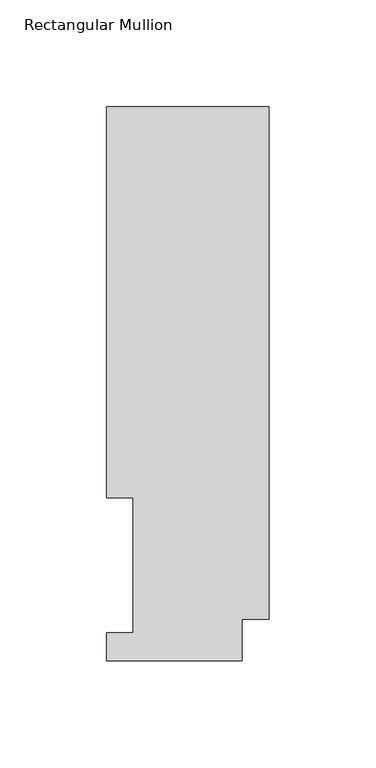
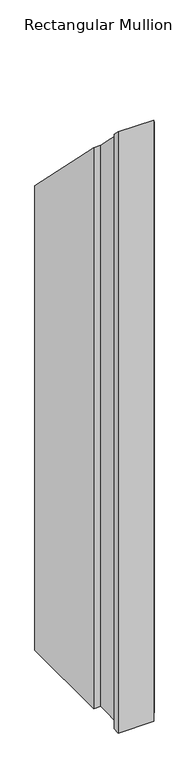
"""IFC4 building model written with IfcOpenShell, lengths in millimetres: member geometry, Rectangular Mullion."""

from ifc_helpers import new_model, si_unit, origin, place, context, project, spatial, faceted_brep, source, transform, mapped, element, save


def rectangular_mullion_385e6a11(model_context):
    return source(origin(), model_context, "Body", "Brep", [
        faceted_brep([(0.0, 19.5088257, -1142.5174), (-12.7, 19.5088257, -1142.5174), (-12.7, -0.0333811, -1142.5174), (-76.2, -0.0333811, -1142.5174), (-76.2, 13.1492189, -1142.5174), (-63.8581605, 13.1492189, -1142.5174), (-63.8581605, 76.2992187, -1142.5174), (-76.2, 76.2992187, -1142.5174), (-76.2, 259.4586188, -1142.5174), (0.0, 259.4586188, -1142.5174), (0.0, 259.4586188, -259.4586188), (0.0, 19.5088257, -19.5088257), (-76.2, 259.4586188, -259.4586188), (-76.2, 76.2992187, -76.2992187), (-63.8581605, 76.2992187, -76.2992187), (-63.8581605, 13.1492189, -13.1492189), (-76.2, 13.1492189, -13.1492189), (-76.2, -0.0333811, 0.0333811), (-12.7, -0.0333811, 0.0333811), (-12.7, 19.5088257, -19.5088257)], [[[0, 1, 2, 3, 4, 5, 6, 7, 8, 9]], [[10, 11, 0, 9]], [[12, 10, 9, 8]], [[13, 12, 8, 7]], [[14, 13, 7, 6]], [[15, 14, 6, 5]], [[16, 15, 5, 4]], [[17, 16, 4, 3]], [[18, 17, 3, 2]], [[19, 18, 2, 1]], [[11, 19, 1, 0]], [[11, 10, 12, 13, 14, 15, 16, 17, 18, 19]]]),
    ])


if __name__ == "__main__":
    model = new_model("IFC4")
    model_context = context("Model", 3, world=origin())
    ifc_project = project(units=[si_unit("LENGTHUNIT", "METRE", prefix="MILLI")], contexts=[model_context])
    site = spatial("IfcSite", under=ifc_project)
    building = spatial("IfcBuilding", under=site)
    placement = place(None, origin())
    rectangular_mullion_shape = rectangular_mullion_385e6a11(model_context)
    element("IfcMember", 1, ObjectType="Rectangular Mullion", at=placement, inside=building, context=model_context, shape_type="MappedRepresentation", body=[
        mapped(rectangular_mullion_shape, transform((0.0, 0.0, 0.0), x_axis=(1.0, 0.0, 0.0), y_axis=(0.0, 1.0, 0.0), z_axis=(0.0, 0.0, 1.0))),
    ])
    save(model, "model.ifc")
